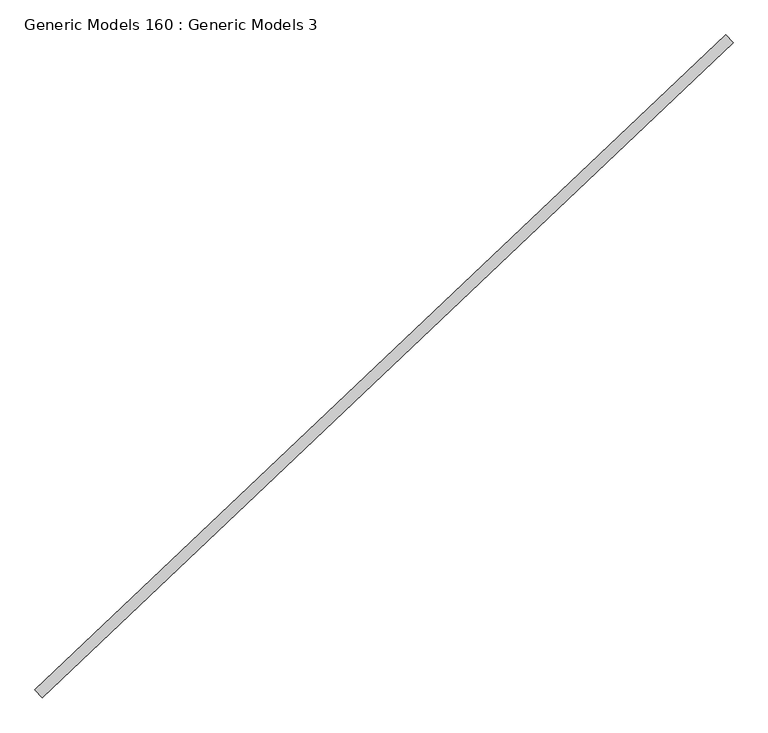
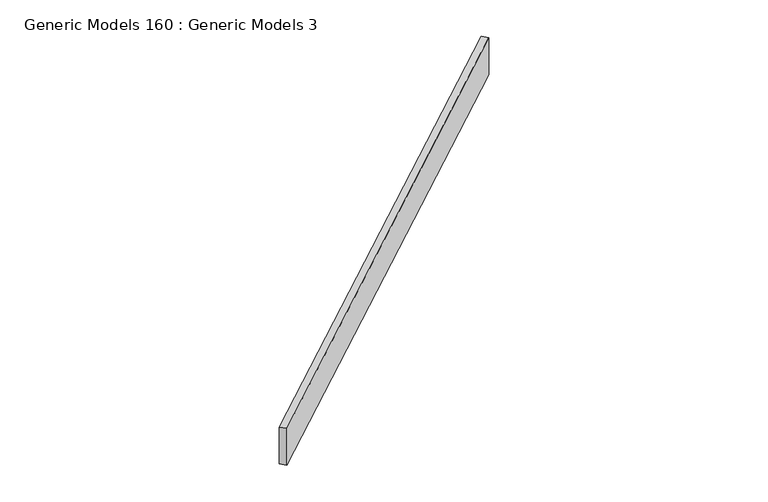
"""IFC4 building model written with IfcOpenShell, lengths in millimetres: proxy geometry, Generic Models 160 : Generic Models 3."""

from ifc_helpers import new_model, si_unit, frame, origin, place, context, project, spatial, polyline, outline, extrude, source, transform, mapped, element, save


def generic_models_160_generic_models_3_a1829c8a(model_context):
    return source(origin(), model_context, "Body", "SweptSolid", [
        extrude(outline(polyline([(111505.6919305, 51506.9987478), (111540.660343, 51470.1497298), (108254.1885459, 48351.4044448), (108219.2201334, 48388.2534628), (111505.6919305, 51506.9987478)])), frame((0.0, 0.0, 18031.7018315), z_axis=(0.0, 0.0, 1.0), x_axis=(1.0, 0.0, 0.0)), (0.0, 0.0, 1.0), 287.5074029),
    ])


if __name__ == "__main__":
    model = new_model("IFC4")
    model_context = context("Model", 3, world=origin())
    ifc_project = project(units=[si_unit("LENGTHUNIT", "METRE", prefix="MILLI")], contexts=[model_context])
    site = spatial("IfcSite", under=ifc_project)
    building = spatial("IfcBuilding", under=site)
    placement = place(None, origin())
    generic_models_160_generic_models_3_shape = generic_models_160_generic_models_3_a1829c8a(model_context)
    element("IfcBuildingElementProxy", 1, Name="Generic Models 160 : Generic Models 3", ObjectType="Generic Models 160 : Generic Models 3", at=placement, inside=building, context=model_context, shape_type="MappedRepresentation", body=[
        mapped(generic_models_160_generic_models_3_shape, transform((0.0, 0.0, 0.0), x_axis=(1.0, 0.0, 0.0), y_axis=(0.0, 1.0, 0.0), z_axis=(0.0, 0.0, 1.0))),
    ])
    save(model, "model.ifc")
